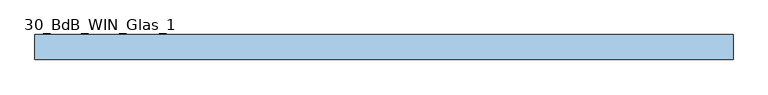
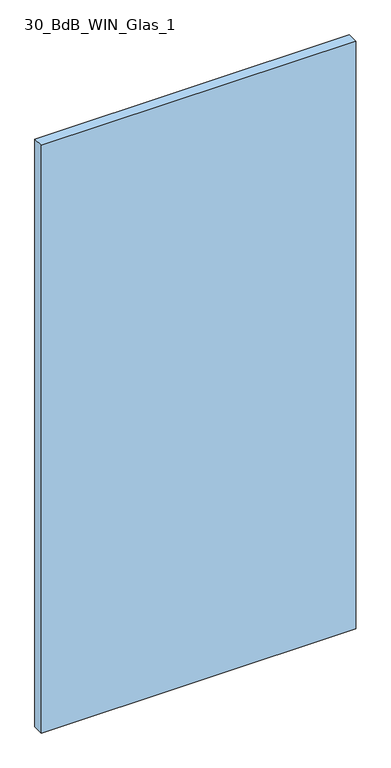
"""IFC4 building model written with IfcOpenShell, lengths in millimetres: window geometry, 30_BdB_WIN_Glas_1."""

from ifc_helpers import new_model, si_unit, origin, origin_with_axes, place, context, project, spatial, polyline, outline, extrude, source, transform, mapped, element, save


def window_30_bdb_win_glas_1_be387a82(model_context):
    return source(origin(), model_context, "Body", "SweptSolid", [
        extrude(outline(polyline([(-948.0, 0.0), (948.0, 0.0), (948.0, -68.0), (-948.0, -68.0), (-948.0, 0.0)])), origin_with_axes(), (0.0, 0.0, 1.0), 3746.0),
    ])


if __name__ == "__main__":
    model = new_model("IFC4")
    model_context = context("Model", 3, world=origin())
    ifc_project = project(units=[si_unit("LENGTHUNIT", "METRE", prefix="MILLI")], contexts=[model_context])
    site = spatial("IfcSite", under=ifc_project)
    building = spatial("IfcBuilding", under=site)
    placement = place(None, origin())
    window_30_bdb_win_glas_1_shape = window_30_bdb_win_glas_1_be387a82(model_context)
    element("IfcWindow", 1, ObjectType="30_BdB_WIN_Glas_1", at=placement, inside=building, context=model_context, shape_type="MappedRepresentation", body=[
        mapped(window_30_bdb_win_glas_1_shape, transform((0.0, 0.0, 0.0), x_axis=(1.0, 0.0, 0.0), y_axis=(0.0, 1.0, 0.0), z_axis=(0.0, 0.0, 1.0))),
    ])
    save(model, "model.ifc")
